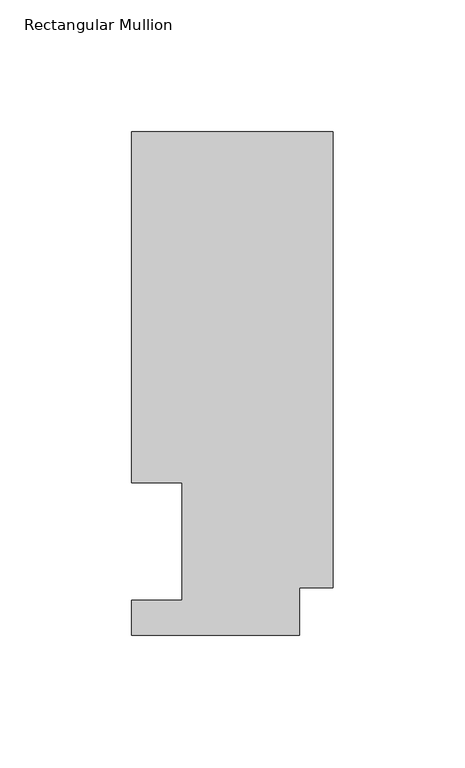
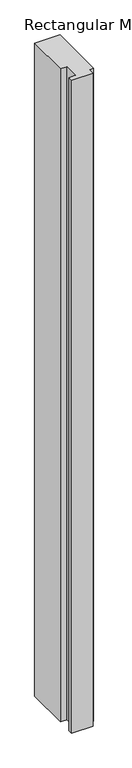
"""IFC4 building model written with IfcOpenShell, lengths in millimetres: member geometry, Rectangular Mullion."""

from ifc_helpers import new_model, si_unit, frame, origin, place, context, project, spatial, polyline, outline, extrude, source, transform, mapped, element, save


def rectangular_mullion_aa973678(model_context):
    return source(origin(), model_context, "Body", "SweptSolid", [
        extrude(outline(polyline([(0.0, 190.5896937), (0.0, 17.9712937), (-12.7, 17.9712937), (-12.7, 0.0134937), (-76.2, 0.0134937), (-76.2, 13.1960937), (-57.15, 13.1960937), (-57.15, 57.6460937), (-76.2, 57.6460937), (-76.2, 190.5896937), (0.0, 190.5896937)])), frame((0.0, 0.0, -2057.4), z_axis=(0.0, 0.0, 1.0), x_axis=(1.0, 0.0, 0.0)), (0.0, 0.0, 1.0), 2057.4),
    ])


if __name__ == "__main__":
    model = new_model("IFC4")
    model_context = context("Model", 3, world=origin())
    ifc_project = project(units=[si_unit("LENGTHUNIT", "METRE", prefix="MILLI")], contexts=[model_context])
    site = spatial("IfcSite", under=ifc_project)
    building = spatial("IfcBuilding", under=site)
    placement = place(None, origin())
    rectangular_mullion_shape = rectangular_mullion_aa973678(model_context)
    element("IfcMember", 1, ObjectType="Rectangular Mullion", at=placement, inside=building, context=model_context, shape_type="MappedRepresentation", body=[
        mapped(rectangular_mullion_shape, transform((0.0, 0.0, 0.0), x_axis=(1.0, 0.0, 0.0), y_axis=(0.0, 1.0, 0.0), z_axis=(0.0, 0.0, 1.0))),
    ])
    save(model, "model.ifc")
